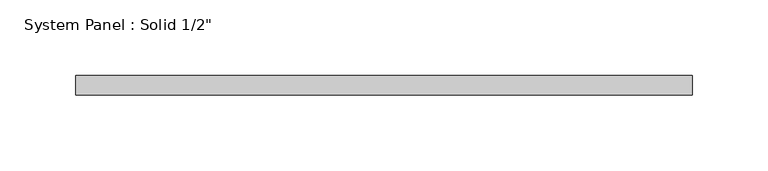
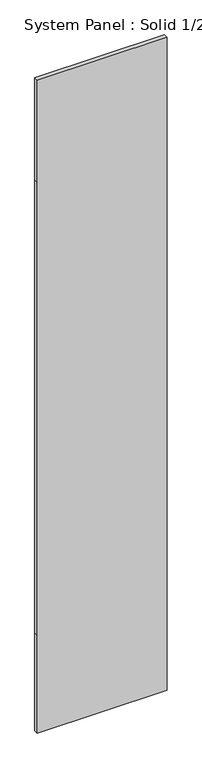
"""IFC4 building model written with IfcOpenShell, lengths in millimetres: plate geometry."""

from ifc_helpers import new_model, si_unit, frame, origin, place, context, project, spatial, polyline, outline, extrude, source, transform, mapped, element, save


def plate_28b21465(model_context):
    return source(origin(), model_context, "Body", "SweptSolid", [
        extrude(outline(polyline([(0.0, -203.2), (0.0, 203.2), (323.85, 203.2), (1822.45, 203.2), (2159.0, 203.2), (2159.0, -203.2), (1822.45, -203.2), (323.85, -203.2), (0.0, -203.2)])), frame((0.0, -6.35, 0.0), z_axis=(0.0, 1.0, 0.0), x_axis=(0.0, 0.0, 1.0)), (0.0, 0.0, 1.0), 12.7),
    ])


if __name__ == "__main__":
    model = new_model("IFC4")
    model_context = context("Model", 3, world=origin())
    ifc_project = project(units=[si_unit("LENGTHUNIT", "METRE", prefix="MILLI")], contexts=[model_context])
    site = spatial("IfcSite", under=ifc_project)
    building = spatial("IfcBuilding", under=site)
    placement = place(None, origin())
    plate_shape = plate_28b21465(model_context)
    element("IfcPlate", 1, ObjectType="System Panel : Solid 1/2\"", at=placement, inside=building, context=model_context, shape_type="MappedRepresentation", body=[
        mapped(plate_shape, transform((0.0, 0.0, 0.0), x_axis=(1.0, 0.0, 0.0), y_axis=(0.0, 1.0, 0.0), z_axis=(0.0, 0.0, 1.0))),
    ])
    save(model, "model.ifc")
